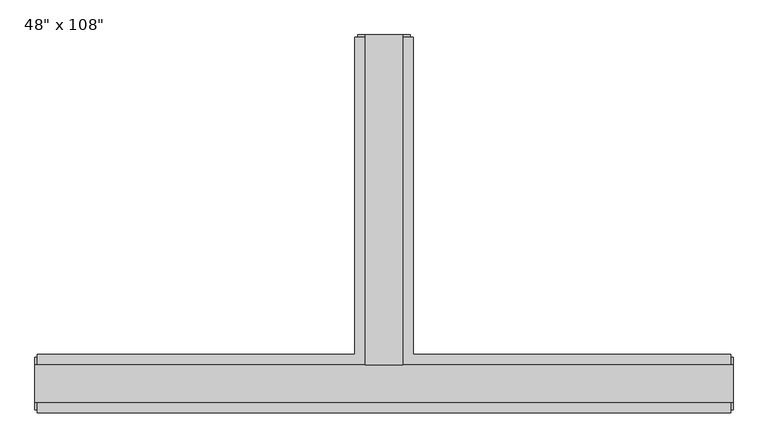
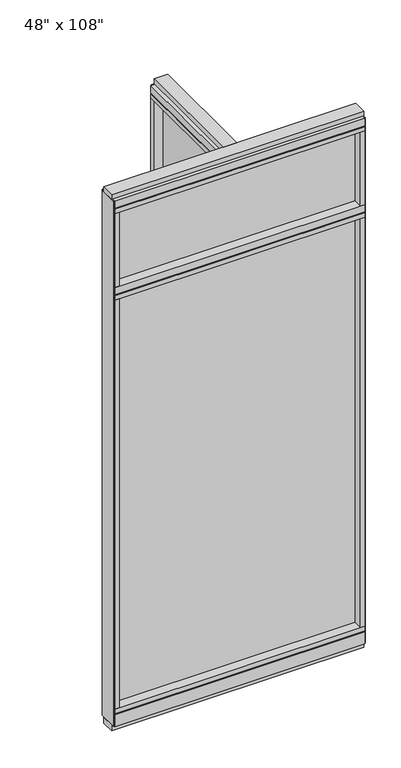
"""IFC4 building model written with IfcOpenShell, lengths in millimetres: furniture geometry."""

import ifcopenshell
import ifcopenshell.guid

model = None  # the IFC model being written
_history = None  # IfcOwnerHistory: only IFC2X3 demands one
_inside = {}  # id of a spatial element -> (the spatial element, [elements in it])
_under = {}  # id of a project, library or spatial element -> (it, [spatial elements below it])
_declared = {}  # id of a project -> (the project, [libraries it declares])
_typed = {}  # id of a type object -> (the type object, [elements of that type])
_made_of = {}  # id of a material, layer set ... -> (it, [elements and type objects made of it])


def new_model(schema):
    """Start an empty IFC model of exactly this schema.

    Asked for "IFC4X3", IfcOpenShell would pick the latest addendum, in which some entities
    have other attributes; the version numbers below select the first issue.
    IFC2X3 requires an IfcOwnerHistory on every rooted entity: one is made here for all.
    """
    global model, _history
    if schema == "IFC4X3":
        model = ifcopenshell.file(schema_version=(4, 3, 0, 0))
    else:
        model = ifcopenshell.file(schema=schema)
    _inside.clear()
    _under.clear()
    _declared.clear()
    _typed.clear()
    _made_of.clear()
    _history = None
    if model.schema == "IFC2X3":
        org = make("IfcOrganization", Name="unknown")
        user = make(
            "IfcPersonAndOrganization",
            ThePerson=make("IfcPerson", FamilyName="unknown"),
            TheOrganization=org,
        )
        app = make(
            "IfcApplication",
            ApplicationDeveloper=org,
            Version="unknown",
            ApplicationFullName="unknown",
            ApplicationIdentifier="unknown",
        )
        _history = make(
            "IfcOwnerHistory",
            OwningUser=user,
            OwningApplication=app,
            ChangeAction="ADDED",
            CreationDate=0,
        )
    return model


def make(cls, **values):
    """One entity of the class cls with the attributes given. An attribute that is None is left unset."""
    return model.create_entity(
        cls, **{name: value for name, value in values.items() if value is not None}
    )


def rooted(cls, **values):
    """An entity with a GlobalId (a new one), such as an element, a storey or a relation."""
    return make(cls, GlobalId=ifcopenshell.guid.new(), OwnerHistory=_history, **values)


def si_unit(unit_type, name, prefix=None):
    """IfcSIUnit, for example si_unit("LENGTHUNIT", "METRE", prefix="MILLI")."""
    return make("IfcSIUnit", UnitType=unit_type, Prefix=prefix, Name=name)


def assignment(units):
    """IfcUnitAssignment: the units of a project."""
    return None if units is None else make("IfcUnitAssignment", Units=units)


def point(xyz):
    """IfcCartesianPoint."""
    return None if xyz is None else make("IfcCartesianPoint", Coordinates=xyz)


def direction(xyz):
    """IfcDirection."""
    return None if xyz is None else make("IfcDirection", DirectionRatios=xyz)


def frame(location, z_axis=None, x_axis=None):
    """IfcAxis2Placement3D, a coordinate frame: its origin and axes. An axis left out is left unset."""
    return make(
        "IfcAxis2Placement3D",
        Location=point(location),
        Axis=direction(z_axis),
        RefDirection=direction(x_axis),
    )


def origin():
    """The frame at (0, 0, 0) with its axes left unset."""
    return frame((0.0, 0.0, 0.0))


def origin_with_axes():
    """The frame at (0, 0, 0) with the z axis (0, 0, 1) and the x axis (1, 0, 0) written out."""
    return frame((0.0, 0.0, 0.0), z_axis=(0.0, 0.0, 1.0), x_axis=(1.0, 0.0, 0.0))


def place(relative_to, where):
    """IfcLocalPlacement: puts the frame where relative to a parent placement (None: the world)."""
    return make(
        "IfcLocalPlacement", PlacementRelTo=relative_to, RelativePlacement=where
    )


def context(
    kind, dimensions, precision=None, world=None, true_north=None, identifier=None
):
    """IfcGeometricRepresentationContext, for example the 3D "Model" context."""
    return make(
        "IfcGeometricRepresentationContext",
        ContextIdentifier=identifier,
        ContextType=kind,
        CoordinateSpaceDimension=dimensions,
        Precision=precision,
        WorldCoordinateSystem=world,
        TrueNorth=true_north,
    )


def project(units=None, contexts=None):
    """IfcProject with its units and contexts."""
    return rooted(
        "IfcProject",
        Name="project",
        RepresentationContexts=contexts,
        UnitsInContext=assignment(units),
    )


def spatial(cls, under=None, at=None, **own):
    """A site, building, storey or space (cls), placed at a placement, below another one or the project."""
    s = rooted(cls, ObjectPlacement=at, **own)
    if under is not None:
        _under.setdefault(under.id(), (under, []))[1].append(s)
    return s


def polyline(points):
    """IfcPolyline through the points."""
    return make("IfcPolyline", Points=[point(p) for p in points])


def outline(outer, holes=None, kind="AREA"):
    """IfcArbitraryClosedProfileDef: a profile drawn as a closed curve; with holes, ...WithVoids."""
    if holes is None:
        return make("IfcArbitraryClosedProfileDef", ProfileType=kind, OuterCurve=outer)
    return make(
        "IfcArbitraryProfileDefWithVoids",
        ProfileType=kind,
        OuterCurve=outer,
        InnerCurves=holes,
    )


def extrude(swept, where, along, depth):
    """IfcExtrudedAreaSolid: the profile swept, set in the frame where, extruded along a direction by depth."""
    return make(
        "IfcExtrudedAreaSolid",
        SweptArea=swept,
        Position=where,
        ExtrudedDirection=direction(along),
        Depth=depth,
    )


def faces_of(points, faces, orient=None, outer=None):
    """IfcFace entities. A face is a list of loops; a loop is a list of indices into points, from 0.

    orient and outer hold one flag for each loop. By default every Orientation is true, the
    first loop of a face is its IfcFaceOuterBound and the others are IfcFaceBound.
    """
    made = []
    for i, loops in enumerate(faces):
        bounds = []
        for j, loop in enumerate(loops):
            is_outer = j == 0 if outer is None else outer[i][j]
            bounds.append(
                make(
                    "IfcFaceOuterBound" if is_outer else "IfcFaceBound",
                    Bound=make("IfcPolyLoop", Polygon=[points[k] for k in loop]),
                    Orientation=True if orient is None else orient[i][j],
                )
            )
        made.append(make("IfcFace", Bounds=bounds))
    return made


def faceted_brep(points, faces, orient=None, outer=None, voids=None):
    """IfcFacetedBrep: a solid bounded by flat faces; with voids (closed shells), ...WithVoids."""
    shared = [point(p) for p in points]
    hull = make("IfcClosedShell", CfsFaces=faces_of(shared, faces, orient, outer))
    if voids is None:
        return make("IfcFacetedBrep", Outer=hull)
    return make(
        "IfcFacetedBrepWithVoids",
        Outer=hull,
        Voids=[
            make(cls, CfsFaces=faces_of(shared, fs, o, b)) for cls, fs, o, b in voids
        ],
    )


def shape(context_of_items, identifier, shape_type, items):
    """IfcShapeRepresentation: the items that make up one representation, for example the "Body"."""
    return make(
        "IfcShapeRepresentation",
        ContextOfItems=context_of_items,
        RepresentationIdentifier=identifier,
        RepresentationType=shape_type,
        Items=items,
    )


def source(mapping_origin, context_of_items, identifier, shape_type, items):
    """IfcRepresentationMap: a shape defined once, which mapped items show again and again."""
    return make(
        "IfcRepresentationMap",
        MappingOrigin=mapping_origin,
        MappedRepresentation=shape(context_of_items, identifier, shape_type, items),
    )


def transform(
    local_origin,
    x_axis=None,
    y_axis=None,
    z_axis=None,
    scale=None,
    scale2=None,
    scale3=None,
    uniform=True,
):
    """IfcCartesianTransformationOperator3D, or its non-uniform kind. x_axis, y_axis, z_axis: its Axis1, 2, 3."""
    if uniform:
        return make(
            "IfcCartesianTransformationOperator3D",
            Axis1=direction(x_axis),
            Axis2=direction(y_axis),
            LocalOrigin=point(local_origin),
            Scale=scale,
            Axis3=direction(z_axis),
        )
    return make(
        "IfcCartesianTransformationOperator3DnonUniform",
        Axis1=direction(x_axis),
        Axis2=direction(y_axis),
        LocalOrigin=point(local_origin),
        Scale=scale,
        Axis3=direction(z_axis),
        Scale2=scale2,
        Scale3=scale3,
    )


def mapped(mapping_source, mapping_target):
    """IfcMappedItem: shows the shape of a source again, moved by a transform."""
    return make(
        "IfcMappedItem", MappingSource=mapping_source, MappingTarget=mapping_target
    )


def made_of(thing, what):
    """Note that an element or type object is made of a material, layer set ...; save() writes the relation."""
    if what is not None:
        _made_of.setdefault(what.id(), (what, []))[1].append(thing)
    return thing


def element(
    cls,
    number,
    at=None,
    inside=None,
    cuts=None,
    type_object=None,
    material=None,
    context=None,
    identifier="Body",
    shape_type=None,
    held_by="IfcProductDefinitionShape",
    body=None,
    shapes=None,
    **own,
):
    """One element of the class cls, such as IfcWall. Its Tag is "e" and its number.

    at: its placement. inside: the storey or other place that contains it. cuts: it is an
    opening in that element (IfcRelVoidsElement). A single representation is given by context,
    identifier, shape_type and body (its items); several are given by shapes. held_by: the class
    of the entity that holds the representations. save() writes the other relations.
    """
    e = rooted(cls, Tag="e%d" % number, ObjectPlacement=at, **own)
    if body is not None:
        shapes = [shape(context, identifier, shape_type, body)]
    if shapes is not None:
        e.Representation = make(held_by, Representations=shapes)
    if inside is not None:
        _inside.setdefault(inside.id(), (inside, []))[1].append(e)
    if cuts is not None:
        rooted(
            "IfcRelVoidsElement", RelatingBuildingElement=cuts, RelatedOpeningElement=e
        )
    if type_object is not None:
        _typed.setdefault(type_object.id(), (type_object, []))[1].append(e)
    return made_of(e, material)


def aggregate(whole, parts):
    """IfcRelAggregates: a whole, such as a stair, and the parts it consists of."""
    return rooted("IfcRelAggregates", RelatingObject=whole, RelatedObjects=parts)


def save(model, path):
    """Write the relations noted so far, then the file.

    IfcRelAggregates (storeys below a building ...), IfcRelContainedInSpatialStructure (elements
    in a storey), IfcRelDefinesByType, IfcRelAssociatesMaterial and IfcRelDeclares: one each for
    every whole, place, type object, material and project.
    """
    for whole, parts in _under.values():
        aggregate(whole, parts)
    for where, things in _inside.values():
        rooted(
            "IfcRelContainedInSpatialStructure",
            RelatedElements=things,
            RelatingStructure=where,
        )
    for kind, things in _typed.values():
        rooted("IfcRelDefinesByType", RelatedObjects=things, RelatingType=kind)
    for what, things in _made_of.values():
        rooted("IfcRelAssociatesMaterial", RelatedObjects=things, RelatingMaterial=what)
    for by, libraries in _declared.values():
        rooted("IfcRelDeclares", RelatingContext=by, RelatedDefinitions=libraries)
    model.write(path)


def furniture_c10d7b87(model_context):
    return source(origin(), model_context, "Body", "SolidModel", [
        extrude(outline(polyline([(-65.1165229, 0.5622784), (-65.1165229, 578.9202784), (-54.9565229, 578.9202784), (-54.9565229, 0.5622784), (-65.1165229, 0.5622784)])), frame((0.0, 0.0, 2276.475), z_axis=(0.0, 0.0, 1.0), x_axis=(1.0, 0.0, 0.0)), (0.0, 0.0, 1.0), 355.6),
        extrude(outline(polyline([(523.4014771, -9.5977216), (-643.4745229, -9.5977216), (-643.4745229, 0.5622784), (523.4014771, 0.5622784), (523.4014771, -9.5977216)])), frame((0.0, 0.0, 2276.475), z_axis=(0.0, 0.0, 1.0), x_axis=(1.0, 0.0, 0.0)), (0.0, 0.0, 1.0), 355.6),
        extrude(outline(polyline([(-65.1165229, 0.5622784), (-65.1165229, 578.9202784), (-54.9565229, 578.9202784), (-54.9565229, 0.5622784), (-65.1165229, 0.5622784)])), frame((0.0, 0.0, 120.65), z_axis=(0.0, 0.0, 1.0), x_axis=(1.0, 0.0, 0.0)), (0.0, 0.0, 1.0), 2114.677),
        extrude(outline(polyline([(523.4014771, -9.5977216), (-643.4745229, -9.5977216), (-643.4745229, 0.5622784), (523.4014771, 0.5622784), (523.4014771, -9.5977216)])), frame((0.0, 0.0, 120.523), z_axis=(0.0, 0.0, 1.0), x_axis=(1.0, 0.0, 0.0)), (0.0, 0.0, 1.0), 2114.677),
        extrude(outline(polyline([(-110.8365229, 601.1452784), (-9.2365229, 601.1452784), (-9.2365229, 46.2822784), (545.6264771, 46.2822784), (545.6264771, -55.3177216), (-665.6995229, -55.3177216), (-665.6995229, 46.2822784), (-110.8365229, 46.2822784), (-110.8365229, 601.1452784)])), frame((0.0, 0.0, 2654.3), z_axis=(0.0, 0.0, 1.0), x_axis=(1.0, 0.0, 0.0)), (0.0, 0.0, 1.0), 22.225),
        faceted_brep([(-105.8835229, 46.2822784, 2681.478), (-105.8835229, 46.2822784, 2676.525), (-14.1895229, 46.2822784, 2676.525), (-14.1895229, 46.2822784, 2681.478), (-9.2365229, 601.1452784, 2681.478), (-14.1895229, 601.1452784, 2681.478), (-14.1895229, 601.1452784, 2676.525), (-105.8835229, 601.1452784, 2676.525), (-105.8835229, 601.1452784, 2681.478), (-110.8365229, 601.1452784, 2681.478), (-110.8365229, 601.1452784, 2717.8), (-9.2365229, 601.1452784, 2717.8), (-9.2365229, 46.2822784, 2681.478), (545.6264771, 46.2822784, 2681.478), (545.6264771, 41.3292784, 2681.478), (-665.6995229, 41.3292784, 2681.478), (-665.6995229, 46.2822784, 2681.478), (-110.8365229, 46.2822784, 2681.478), (-110.8365229, 46.2822784, 2717.8), (-665.6995229, 46.2822784, 2717.8), (-665.6995229, -55.3177216, 2717.8), (545.6264771, -55.3177216, 2717.8), (545.6264771, 46.2822784, 2717.8), (-9.2365229, 46.2822784, 2717.8), (-665.6995229, -55.3177216, 2681.478), (-665.6995229, 41.3292784, 2676.525), (-665.6995229, -50.3647216, 2676.525), (-665.6995229, -50.3647216, 2681.478), (545.6264771, -55.3177216, 2681.478), (545.6264771, -50.3647216, 2681.478), (545.6264771, -50.3647216, 2676.525), (545.6264771, 41.3292784, 2676.525)], [[[0, 1, 2, 3]], [[4, 5, 6, 7, 8, 9, 10, 11]], [[5, 4, 12, 13, 14, 15, 16, 17, 9, 8, 0, 3]], [[3, 2, 6, 5]], [[2, 1, 7, 6]], [[1, 0, 8, 7]], [[10, 9, 17, 18]], [[11, 10, 18, 19, 20, 21, 22, 23]], [[4, 11, 23, 12]], [[24, 20, 19, 16, 15, 25, 26, 27]], [[28, 29, 30, 31, 14, 13, 22, 21]], [[24, 27, 29, 28]], [[16, 19, 18, 17]], [[22, 13, 12, 23]], [[20, 24, 28, 21]], [[25, 15, 14, 31]], [[26, 25, 31, 30]], [[27, 26, 30, 29]]]),
        extrude(outline(polyline([(-110.8365229, 601.1452784), (-9.2365229, 601.1452784), (-9.2365229, 46.2822784), (545.6264771, 46.2822784), (545.6264771, -55.3177216), (-665.6995229, -55.3177216), (-665.6995229, 46.2822784), (-110.8365229, 46.2822784), (-110.8365229, 601.1452784)])), frame((0.0, 0.0, 2212.975), z_axis=(0.0, 0.0, 1.0), x_axis=(1.0, 0.0, 0.0)), (0.0, 0.0, 1.0), 22.225),
        faceted_brep([(-105.8835229, 46.2822784, 2240.153), (-105.8835229, 46.2822784, 2235.2), (-14.1895229, 46.2822784, 2235.2), (-14.1895229, 46.2822784, 2240.153), (-9.2365229, 601.1452784, 2240.153), (-14.1895229, 601.1452784, 2240.153), (-14.1895229, 601.1452784, 2235.2), (-105.8835229, 601.1452784, 2235.2), (-105.8835229, 601.1452784, 2240.153), (-110.8365229, 601.1452784, 2240.153), (-110.8365229, 601.1452784, 2276.475), (-9.2365229, 601.1452784, 2276.475), (-9.2365229, 46.2822784, 2240.153), (545.6264771, 46.2822784, 2240.153), (545.6264771, 41.3292784, 2240.153), (-665.6995229, 41.3292784, 2240.153), (-665.6995229, 46.2822784, 2240.153), (-110.8365229, 46.2822784, 2240.153), (-110.8365229, 46.2822784, 2276.475), (-665.6995229, 46.2822784, 2276.475), (-665.6995229, -55.3177216, 2276.475), (545.6264771, -55.3177216, 2276.475), (545.6264771, 46.2822784, 2276.475), (-9.2365229, 46.2822784, 2276.475), (-665.6995229, -55.3177216, 2240.153), (-665.6995229, 41.3292784, 2235.2), (-665.6995229, -50.3647216, 2235.2), (-665.6995229, -50.3647216, 2240.153), (545.6264771, -55.3177216, 2240.153), (545.6264771, -50.3647216, 2240.153), (545.6264771, -50.3647216, 2235.2), (545.6264771, 41.3292784, 2235.2)], [[[0, 1, 2, 3]], [[4, 5, 6, 7, 8, 9, 10, 11]], [[5, 4, 12, 13, 14, 15, 16, 17, 9, 8, 0, 3]], [[3, 2, 6, 5]], [[2, 1, 7, 6]], [[1, 0, 8, 7]], [[10, 9, 17, 18]], [[11, 10, 18, 19, 20, 21, 22, 23]], [[4, 11, 23, 12]], [[24, 20, 19, 16, 15, 25, 26, 27]], [[28, 29, 30, 31, 14, 13, 22, 21]], [[24, 27, 29, 28]], [[27, 26, 30, 29]], [[26, 25, 31, 30]], [[25, 15, 14, 31]], [[16, 19, 18, 17]], [[22, 13, 12, 23]], [[20, 24, 28, 21]]]),
        faceted_brep([(-14.1895229, 46.2822784, 93.345), (-14.1895229, 46.2822784, 98.298), (-105.8835229, 46.2822784, 98.298), (-105.8835229, 46.2822784, 93.345), (-9.2365229, 601.1452784, 93.345), (-9.2365229, 601.1452784, 31.75), (-110.8365229, 601.1452784, 31.75), (-110.8365229, 601.1452784, 93.345), (-105.8835229, 601.1452784, 93.345), (-105.8835229, 601.1452784, 98.298), (-14.1895229, 601.1452784, 98.298), (-14.1895229, 601.1452784, 93.345), (-110.8365229, 46.2822784, 93.345), (-665.6995229, 46.2822784, 93.345), (-665.6995229, 41.3292784, 93.345), (545.6264771, 41.3292784, 93.345), (545.6264771, 46.2822784, 93.345), (-9.2365229, 46.2822784, 93.345), (-110.8365229, 46.2822784, 31.75), (-9.2365229, 46.2822784, 31.75), (545.6264771, 46.2822784, 31.75), (545.6264771, -55.3177216, 31.75), (-665.6995229, -55.3177216, 31.75), (-665.6995229, 46.2822784, 31.75), (545.6264771, -55.3177216, 93.345), (545.6264771, 41.3292784, 98.298), (545.6264771, -50.3647216, 98.298), (545.6264771, -50.3647216, 93.345), (-665.6995229, -55.3177216, 93.345), (-665.6995229, -50.3647216, 93.345), (-665.6995229, -50.3647216, 98.298), (-665.6995229, 41.3292784, 98.298)], [[[0, 1, 2, 3]], [[4, 5, 6, 7, 8, 9, 10, 11]], [[4, 11, 0, 3, 8, 7, 12, 13, 14, 15, 16, 17]], [[1, 0, 11, 10]], [[2, 1, 10, 9]], [[3, 2, 9, 8]], [[7, 6, 18, 12]], [[6, 5, 19, 20, 21, 22, 23, 18]], [[5, 4, 17, 19]], [[24, 21, 20, 16, 15, 25, 26, 27]], [[28, 29, 30, 31, 14, 13, 23, 22]], [[24, 27, 29, 28]], [[16, 20, 19, 17]], [[23, 13, 12, 18]], [[21, 24, 28, 22]], [[25, 15, 14, 31]], [[26, 25, 31, 30]], [[27, 26, 30, 29]]]),
        extrude(outline(polyline([(-110.8365229, 601.1452784), (-9.2365229, 601.1452784), (-9.2365229, 46.2822784), (545.6264771, 46.2822784), (545.6264771, -55.3177216), (-665.6995229, -55.3177216), (-665.6995229, 46.2822784), (-110.8365229, 46.2822784), (-110.8365229, 601.1452784)])), frame((0.0, 0.0, 98.298), z_axis=(0.0, 0.0, 1.0), x_axis=(1.0, 0.0, 0.0)), (0.0, 0.0, 1.0), 22.225),
        extrude(outline(polyline([(-9.2365229, 601.1452784), (-9.2365229, 578.9202784), (-110.8365229, 578.9202784), (-110.8365229, 601.1452784), (-9.2365229, 601.1452784)])), frame((0.0, 0.0, 2276.475), z_axis=(0.0, 0.0, 1.0), x_axis=(1.0, 0.0, 0.0)), (0.0, 0.0, 1.0), 377.825),
        extrude(outline(polyline([(523.4014771, -55.3177216), (523.4014771, 46.2822784), (545.6264771, 46.2822784), (545.6264771, -55.3177216), (523.4014771, -55.3177216)])), frame((0.0, 0.0, 2276.475), z_axis=(0.0, 0.0, 1.0), x_axis=(1.0, 0.0, 0.0)), (0.0, 0.0, 1.0), 377.825),
        extrude(outline(polyline([(-643.4745229, -55.3177216), (-665.6995229, -55.3177216), (-665.6995229, 46.2822784), (-643.4745229, 46.2822784), (-643.4745229, -55.3177216)])), frame((0.0, 0.0, 2276.475), z_axis=(0.0, 0.0, 1.0), x_axis=(1.0, 0.0, 0.0)), (0.0, 0.0, 1.0), 377.825),
        extrude(outline(polyline([(-27.5245229, 27.9942784), (-92.5485229, 27.9942784), (-92.5485229, 605.0822784), (-27.5245229, 605.0822784), (-27.5245229, 27.9942784)])), origin_with_axes(), (0.0, 0.0, 1.0), 31.75),
        extrude(outline(polyline([(-9.2365229, 601.1452784), (-9.2365229, 578.9202784), (-110.8365229, 578.9202784), (-110.8365229, 601.1452784), (-9.2365229, 601.1452784)])), frame((0.0, 0.0, 120.523), z_axis=(0.0, 0.0, 1.0), x_axis=(1.0, 0.0, 0.0)), (0.0, 0.0, 1.0), 2092.452),
        extrude(outline(polyline([(-14.1895229, 605.0822784), (-14.1895229, 601.1452784), (-105.8835229, 601.1452784), (-105.8835229, 605.0822784), (-14.1895229, 605.0822784)])), frame((0.0, 0.0, 31.75), z_axis=(0.0, 0.0, 1.0), x_axis=(1.0, 0.0, 0.0)), (0.0, 0.0, 1.0), 2686.05),
        extrude(outline(polyline([(-27.5245229, 27.9942784), (-92.5485229, 27.9942784), (-92.5485229, 605.0822784), (-27.5245229, 605.0822784), (-27.5245229, 27.9942784)])), frame((0.0, 0.0, 2717.8), z_axis=(0.0, 0.0, 1.0), x_axis=(1.0, 0.0, 0.0)), (0.0, 0.0, 1.0), 25.4),
        extrude(outline(polyline([(549.5634771, 27.9942784), (549.5634771, -37.0297216), (-669.6365229, -37.0297216), (-669.6365229, 27.9942784), (549.5634771, 27.9942784)])), origin_with_axes(), (0.0, 0.0, 1.0), 31.75),
        extrude(outline(polyline([(-669.6365229, -37.0297216), (-669.6365229, 27.9942784), (549.5634771, 27.9942784), (549.5634771, -37.0297216), (-669.6365229, -37.0297216)])), frame((0.0, 0.0, 2717.8), z_axis=(0.0, 0.0, 1.0), x_axis=(1.0, 0.0, 0.0)), (0.0, 0.0, 1.0), 25.4),
        extrude(outline(polyline([(523.4014771, -55.3177216), (523.4014771, 46.2822784), (545.6264771, 46.2822784), (545.6264771, -55.3177216), (523.4014771, -55.3177216)])), frame((0.0, 0.0, 120.523), z_axis=(0.0, 0.0, 1.0), x_axis=(1.0, 0.0, 0.0)), (0.0, 0.0, 1.0), 2092.452),
        extrude(outline(polyline([(-643.4745229, -55.3177216), (-665.6995229, -55.3177216), (-665.6995229, 46.2822784), (-643.4745229, 46.2822784), (-643.4745229, -55.3177216)])), frame((0.0, 0.0, 120.523), z_axis=(0.0, 0.0, 1.0), x_axis=(1.0, 0.0, 0.0)), (0.0, 0.0, 1.0), 2092.452),
        extrude(outline(polyline([(549.5634771, -50.3647216), (545.6264771, -50.3647216), (545.6264771, 41.3292784), (549.5634771, 41.3292784), (549.5634771, -50.3647216)])), frame((0.0, 0.0, 31.75), z_axis=(0.0, 0.0, 1.0), x_axis=(1.0, 0.0, 0.0)), (0.0, 0.0, 1.0), 2686.05),
        extrude(outline(polyline([(-669.6365229, -50.3647216), (-669.6365229, 41.3292784), (-665.6995229, 41.3292784), (-665.6995229, -50.3647216), (-669.6365229, -50.3647216)])), frame((0.0, 0.0, 31.75), z_axis=(0.0, 0.0, 1.0), x_axis=(1.0, 0.0, 0.0)), (0.0, 0.0, 1.0), 2686.05),
    ])


if __name__ == "__main__":
    model = new_model("IFC4")
    model_context = context("Model", 3, world=origin())
    ifc_project = project(units=[si_unit("LENGTHUNIT", "METRE", prefix="MILLI")], contexts=[model_context])
    site = spatial("IfcSite", under=ifc_project)
    building = spatial("IfcBuilding", under=site)
    placement = place(None, origin())
    furniture_shape = furniture_c10d7b87(model_context)
    element("IfcFurniture", 1, ObjectType="48\" x 108\"", at=placement, inside=building, context=model_context, shape_type="MappedRepresentation", body=[
        mapped(furniture_shape, transform((0.0, 0.0, 0.0), x_axis=(1.0, 0.0, 0.0), y_axis=(0.0, 1.0, 0.0), z_axis=(0.0, 0.0, 1.0))),
    ])
    save(model, "model.ifc")
